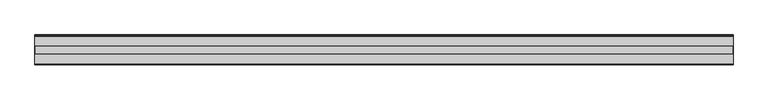
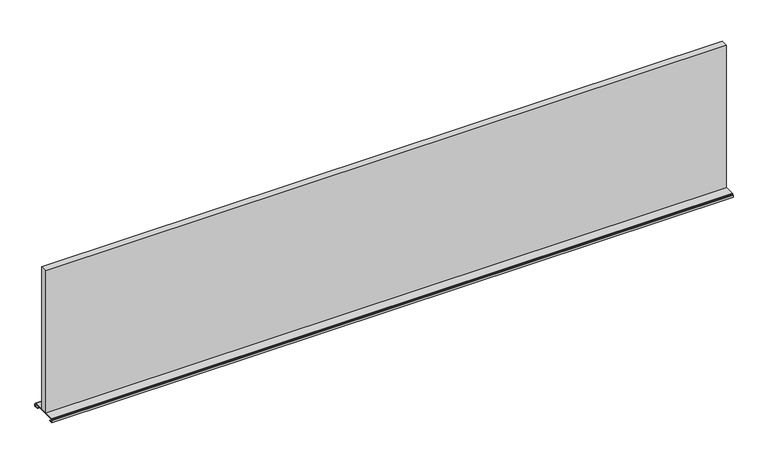
"""IFC4 building model written with IfcOpenShell, lengths in millimetres: furniture geometry."""

from ifc_helpers import new_model, si_unit, frame, origin, place, context, project, spatial, polyline, outline, extrude, faceted_brep, source, transform, mapped, element, save


def furniture_47b0ce72(model_context):
    return source(origin(), model_context, "Body", "SolidModel", [
        faceted_brep([(1828.546, 0.0, 727.0750001), (1828.546, 0.0, 733.425), (1828.546, -0.4253693, 735.0125), (1828.546, -1.5875, 736.1746306), (1828.546, -3.1749999, 736.6), (1828.546, -75.0824002, 736.6), (1828.546, -76.6699032, 736.1746306), (1828.546, -77.8320325, 735.0125), (1828.546, -78.2573971, 733.425), (1828.546, -78.2573971, 727.0750001), (1828.546, -70.2564002, 727.0750001), (1828.546, -70.2564002, 727.8878002), (1828.546, -77.4446016, 727.8878002), (1828.546, -77.4446016, 733.425), (1828.546, -77.1281238, 734.6061), (1828.546, -76.2634963, 735.4707252), (1828.546, -75.0824002, 735.7872), (1828.546, -3.1749999, 735.7872), (1828.546, -1.9939, 735.4707252), (1828.546, -1.1292748, 734.6061), (1828.546, -0.8128, 733.425), (1828.546, -0.8128, 727.8878002), (1828.546, -8.0010001, 727.8878002), (1828.546, -8.0010001, 727.0750001), (0.254, -0.8128, 727.8878002), (0.254, -0.8128, 733.425), (0.254, -1.1292748, 734.6061), (0.254, -1.9939, 735.4707252), (0.254, -3.1749999, 735.7872), (0.254, -75.0824002, 735.7872), (0.254, -76.2634963, 735.4707252), (0.254, -77.1281238, 734.6061), (0.254, -77.4446016, 733.425), (0.254, -77.4446016, 727.8878002), (0.254, -70.2564672, 727.8878002), (0.254, -70.2564672, 727.0750001), (0.254, -78.2573971, 727.0750001), (0.254, -78.2573971, 733.425), (0.254, -77.8320325, 735.0125), (0.254, -76.6699032, 736.1746306), (0.254, -75.0824002, 736.6), (0.254, -3.1749999, 736.6), (0.254, -1.5875, 736.1746306), (0.254, -0.4253693, 735.0125), (0.254, 0.0, 733.425), (0.254, 0.0, 727.0750001), (0.254, -8.0009332, 727.0750001), (0.254, -8.0009332, 727.8878002), (0.6793872, -68.6689017, 727.0750001), (1.8415179, -67.5067679, 727.0750001), (3.4290181, -67.0813987, 727.0750001), (1825.3710121, -67.0813987, 727.0750001), (1826.9585242, -67.5067679, 727.0750001), (1828.1206626, -68.6689017, 727.0750001), (1828.1206626, -68.6689017, 727.8878002), (1826.9585242, -67.5067679, 727.8878002), (1825.3710121, -67.0813987, 727.8878002), (3.4290181, -67.0813987, 727.8878002), (1.8415179, -67.5067679, 727.8878002), (0.6793872, -68.6689017, 727.8878002), (0.6793872, -9.5884997, 727.8878002), (1.8415179, -10.7506301, 727.8878002), (3.4290181, -11.1760005, 727.8878002), (1825.3710121, -11.1760005, 727.8878002), (1826.9585242, -10.7506301, 727.8878002), (1828.1206626, -9.5884997, 727.8878002), (3.4290181, -11.1760005, 727.0750001), (1825.3710121, -11.1760005, 727.0750001), (1828.1206626, -9.5884997, 727.0750001), (1826.9585242, -10.7506301, 727.0750001), (1.8415179, -10.7506301, 727.0750001), (0.6793872, -9.5884997, 727.0750001)], [[[0, 1, 2, 3, 4, 5, 6, 7, 8, 9, 10, 11, 12, 13, 14, 15, 16, 17, 18, 19, 20, 21, 22, 23]], [[24, 25, 26, 27, 28, 29, 30, 31, 32, 33, 34, 35, 36, 37, 38, 39, 40, 41, 42, 43, 44, 45, 46, 47]], [[1, 0, 45, 44]], [[2, 1, 44, 43]], [[3, 2, 43, 42]], [[4, 3, 42, 41]], [[5, 4, 41, 40]], [[9, 8, 37, 36]], [[9, 36, 35, 48, 49, 50, 51, 52, 53, 10]], [[33, 12, 11, 54, 55, 56, 57, 58, 59, 34]], [[17, 16, 29, 28]], [[18, 17, 28, 27]], [[19, 18, 27, 26]], [[20, 19, 26, 25]], [[21, 20, 25, 24]], [[21, 24, 47, 60, 61, 62, 63, 64, 65, 22]], [[63, 62, 66, 67]], [[45, 0, 23, 68, 69, 67, 66, 70, 71, 46]], [[6, 5, 40, 39]], [[7, 6, 39, 38]], [[8, 7, 38, 37]], [[57, 56, 51, 50]], [[13, 12, 33, 32]], [[14, 13, 32, 31]], [[15, 14, 31, 30]], [[16, 15, 30, 29]], [[71, 60, 47, 46]], [[61, 70, 66, 62]], [[60, 71, 70, 61]], [[59, 48, 35, 34]], [[48, 59, 58, 49]], [[49, 58, 57, 50]], [[55, 52, 51, 56]], [[52, 55, 54, 53]], [[53, 54, 11, 10]], [[65, 68, 23, 22]], [[68, 65, 64, 69]], [[69, 64, 63, 67]]]),
        extrude(outline(polyline([(1827.6824, -48.7933971), (1.1176, -48.7933971), (1.1176, -29.4893963), (1827.6824, -29.4893963), (1827.6824, -48.7933971)])), frame((0.0, 0.0, 736.6), z_axis=(0.0, 0.0, 1.0), x_axis=(1.0, 0.0, 0.0)), (0.0, 0.0, 1.0), 403.5806),
    ])


if __name__ == "__main__":
    model = new_model("IFC4")
    model_context = context("Model", 3, world=origin())
    ifc_project = project(units=[si_unit("LENGTHUNIT", "METRE", prefix="MILLI")], contexts=[model_context])
    site = spatial("IfcSite", under=ifc_project)
    building = spatial("IfcBuilding", under=site)
    placement = place(None, origin())
    furniture_shape = furniture_47b0ce72(model_context)
    element("IfcFurniture", 1, at=placement, inside=building, context=model_context, shape_type="MappedRepresentation", body=[
        mapped(furniture_shape, transform((0.0, 0.0, 0.0), x_axis=(1.0, 0.0, 0.0), y_axis=(0.0, 1.0, 0.0), z_axis=(0.0, 0.0, 1.0))),
    ])
    save(model, "model.ifc")
